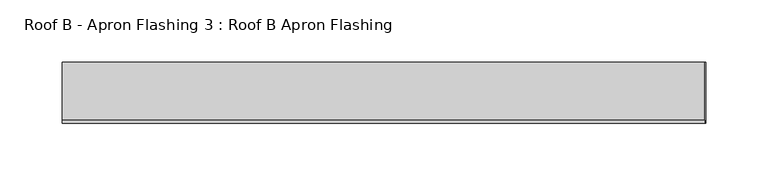
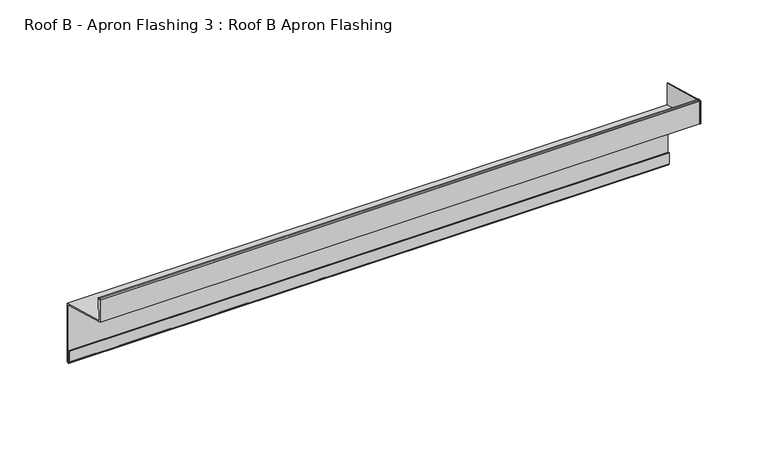
"""IFC4 building model written with IfcOpenShell, lengths in millimetres: proxy geometry, Roof B - Apron Flashing 3 : Roof B Apron Flashing."""

from ifc_helpers import new_model, si_unit, point, frame, frame_2d, origin, place, context, project, spatial, polyline, circle_curve, trimmed, segment, composite_curve, outline, extrude, source, transform, mapped, element, save


def roof_b_apron_flashing_3_roof_b_apron_flashing_d6d039fe(model_context):
    return source(origin(), model_context, "Body", "SweptSolid", [
        extrude(outline(polyline([(608.0490096, -873.6339834), (608.0490096, -853.130654), (656.8026399, -866.1941499), (656.8026399, -886.6974792), (608.0490096, -873.6339834)])), frame((8482.4791786, 0.0, 0.0), z_axis=(1.0, 0.0, 0.0), x_axis=(0.0, 1.0, 0.0)), (0.0, 0.0, 1.0), 0.8428395),
        extrude(outline(composite_curve([segment(polyline([(656.8026399, -885.662203), (656.8026399, -937.6563748)]), True, "CONTINUOUS"), segment(trimmed(circle_curve(frame_2d((655.3026399, -937.6563748)), 1.5), [point((656.8026399, -937.6563748))], [point((653.8026399, -937.6563748))], False, "CARTESIAN"), True, "CONTINUOUS"), segment(polyline([(653.8026399, -937.6563748), (653.8026399, -927.6933761), (654.8026399, -927.6933761), (654.8026399, -937.6563748)]), True, "CONTINUOUS"), segment(trimmed(circle_curve(frame_2d((655.3026399, -937.6563748)), 0.5), [point((654.8026399, -937.6563748))], [point((655.8026399, -937.6563748))], True, "CARTESIAN"), True, "CONTINUOUS"), segment(polyline([(655.8026399, -937.6563748), (655.8026399, -886.42953), (608.0490096, -873.6339834), (608.0490096, -853.3538686)]), True, "CONTINUOUS"), segment(trimmed(circle_curve(frame_2d((609.2990096, -853.3538686)), 1.25), [point((608.0490096, -853.3538686))], [point((610.5490096, -853.3538686))], False, "CARTESIAN"), True, "CONTINUOUS"), segment(polyline([(610.5490096, -853.3538686), (610.5490096, -862.6360034)]), True, "CONTINUOUS"), segment(trimmed(circle_curve(frame_2d((610.0490096, -862.6360034)), 0.5), [point((610.5490096, -862.6360034))], [point((609.5490096, -862.6360034))], False, "CARTESIAN"), True, "CONTINUOUS"), segment(polyline([(609.5490096, -862.6360034), (609.5490096, -853.3538686)]), True, "CONTINUOUS"), segment(trimmed(circle_curve(frame_2d((609.2990096, -853.3538686)), 0.25), [point((609.5490096, -853.3538686))], [point((609.0490096, -853.3538686))], True, "CARTESIAN"), True, "CONTINUOUS"), segment(polyline([(609.0490096, -853.3538686), (609.0490096, -872.8666564), (656.8026399, -885.662203)]), True, "CONTINUOUS")], self_intersect=False)), frame((7967.4791786, 0.0, 0.0), z_axis=(1.0, 0.0, 0.0), x_axis=(0.0, 1.0, 0.0)), (0.0, 0.0, 1.0), 515.0),
    ])


if __name__ == "__main__":
    model = new_model("IFC4")
    model_context = context("Model", 3, world=origin())
    ifc_project = project(units=[si_unit("LENGTHUNIT", "METRE", prefix="MILLI")], contexts=[model_context])
    site = spatial("IfcSite", under=ifc_project)
    building = spatial("IfcBuilding", under=site)
    placement = place(None, origin())
    roof_b_apron_flashing_3_roof_b_apron_flashing_shape = roof_b_apron_flashing_3_roof_b_apron_flashing_d6d039fe(model_context)
    element("IfcBuildingElementProxy", 1, Name="Roof B - Apron Flashing 3 : Roof B Apron Flashing", ObjectType="Roof B - Apron Flashing 3 : Roof B Apron Flashing", at=placement, inside=building, context=model_context, shape_type="MappedRepresentation", body=[
        mapped(roof_b_apron_flashing_3_roof_b_apron_flashing_shape, transform((0.0, 0.0, 0.0), x_axis=(1.0, 0.0, 0.0), y_axis=(0.0, 1.0, 0.0), z_axis=(0.0, 0.0, 1.0))),
    ])
    save(model, "model.ifc")
